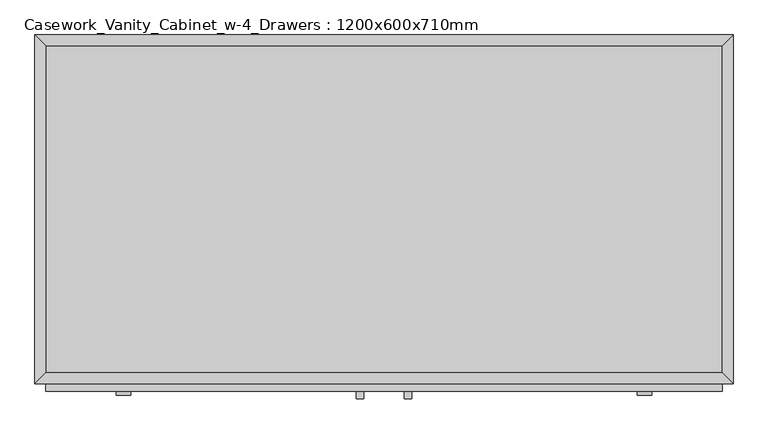
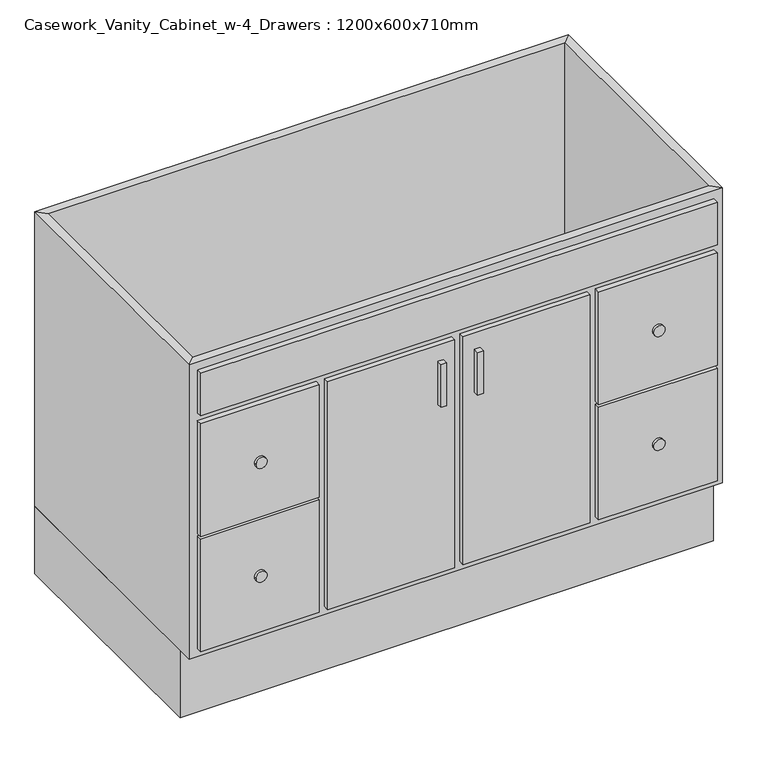
"""IFC4 building model written with IfcOpenShell, lengths in millimetres: furniture geometry, Casework_Vanity_Cabinet_w-4_Drawers : 1200x600x710mm."""

import ifcopenshell
import ifcopenshell.guid

model = None  # the IFC model being written
_history = None  # IfcOwnerHistory: only IFC2X3 demands one
_inside = {}  # id of a spatial element -> (the spatial element, [elements in it])
_under = {}  # id of a project, library or spatial element -> (it, [spatial elements below it])
_declared = {}  # id of a project -> (the project, [libraries it declares])
_typed = {}  # id of a type object -> (the type object, [elements of that type])
_made_of = {}  # id of a material, layer set ... -> (it, [elements and type objects made of it])


def new_model(schema):
    """Start an empty IFC model of exactly this schema.

    Asked for "IFC4X3", IfcOpenShell would pick the latest addendum, in which some entities
    have other attributes; the version numbers below select the first issue.
    IFC2X3 requires an IfcOwnerHistory on every rooted entity: one is made here for all.
    """
    global model, _history
    if schema == "IFC4X3":
        model = ifcopenshell.file(schema_version=(4, 3, 0, 0))
    else:
        model = ifcopenshell.file(schema=schema)
    _inside.clear()
    _under.clear()
    _declared.clear()
    _typed.clear()
    _made_of.clear()
    _history = None
    if model.schema == "IFC2X3":
        org = make("IfcOrganization", Name="unknown")
        user = make(
            "IfcPersonAndOrganization",
            ThePerson=make("IfcPerson", FamilyName="unknown"),
            TheOrganization=org,
        )
        app = make(
            "IfcApplication",
            ApplicationDeveloper=org,
            Version="unknown",
            ApplicationFullName="unknown",
            ApplicationIdentifier="unknown",
        )
        _history = make(
            "IfcOwnerHistory",
            OwningUser=user,
            OwningApplication=app,
            ChangeAction="ADDED",
            CreationDate=0,
        )
    return model


def make(cls, **values):
    """One entity of the class cls with the attributes given. An attribute that is None is left unset."""
    return model.create_entity(
        cls, **{name: value for name, value in values.items() if value is not None}
    )


def rooted(cls, **values):
    """An entity with a GlobalId (a new one), such as an element, a storey or a relation."""
    return make(cls, GlobalId=ifcopenshell.guid.new(), OwnerHistory=_history, **values)


def si_unit(unit_type, name, prefix=None):
    """IfcSIUnit, for example si_unit("LENGTHUNIT", "METRE", prefix="MILLI")."""
    return make("IfcSIUnit", UnitType=unit_type, Prefix=prefix, Name=name)


def assignment(units):
    """IfcUnitAssignment: the units of a project."""
    return None if units is None else make("IfcUnitAssignment", Units=units)


def point(xyz):
    """IfcCartesianPoint."""
    return None if xyz is None else make("IfcCartesianPoint", Coordinates=xyz)


def direction(xyz):
    """IfcDirection."""
    return None if xyz is None else make("IfcDirection", DirectionRatios=xyz)


def frame(location, z_axis=None, x_axis=None):
    """IfcAxis2Placement3D, a coordinate frame: its origin and axes. An axis left out is left unset."""
    return make(
        "IfcAxis2Placement3D",
        Location=point(location),
        Axis=direction(z_axis),
        RefDirection=direction(x_axis),
    )


def frame_2d(location, x_axis=None):
    """IfcAxis2Placement2D, a coordinate frame in the plane: its origin and x axis."""
    return make(
        "IfcAxis2Placement2D", Location=point(location), RefDirection=direction(x_axis)
    )


def origin():
    """The frame at (0, 0, 0) with its axes left unset."""
    return frame((0.0, 0.0, 0.0))


def origin_with_axes():
    """The frame at (0, 0, 0) with the z axis (0, 0, 1) and the x axis (1, 0, 0) written out."""
    return frame((0.0, 0.0, 0.0), z_axis=(0.0, 0.0, 1.0), x_axis=(1.0, 0.0, 0.0))


def place(relative_to, where):
    """IfcLocalPlacement: puts the frame where relative to a parent placement (None: the world)."""
    return make(
        "IfcLocalPlacement", PlacementRelTo=relative_to, RelativePlacement=where
    )


def context(
    kind, dimensions, precision=None, world=None, true_north=None, identifier=None
):
    """IfcGeometricRepresentationContext, for example the 3D "Model" context."""
    return make(
        "IfcGeometricRepresentationContext",
        ContextIdentifier=identifier,
        ContextType=kind,
        CoordinateSpaceDimension=dimensions,
        Precision=precision,
        WorldCoordinateSystem=world,
        TrueNorth=true_north,
    )


def project(units=None, contexts=None):
    """IfcProject with its units and contexts."""
    return rooted(
        "IfcProject",
        Name="project",
        RepresentationContexts=contexts,
        UnitsInContext=assignment(units),
    )


def spatial(cls, under=None, at=None, **own):
    """A site, building, storey or space (cls), placed at a placement, below another one or the project."""
    s = rooted(cls, ObjectPlacement=at, **own)
    if under is not None:
        _under.setdefault(under.id(), (under, []))[1].append(s)
    return s


def polyline(points):
    """IfcPolyline through the points."""
    return make("IfcPolyline", Points=[point(p) for p in points])


def circle_curve(where, radius):
    """IfcCircle in the frame where."""
    return make("IfcCircle", Position=where, Radius=radius)


def trimmed(basis, trim1, trim2, sense, master):
    """IfcTrimmedCurve: the piece of a basis curve between two trims."""
    return make(
        "IfcTrimmedCurve",
        BasisCurve=basis,
        Trim1=trim1,
        Trim2=trim2,
        SenseAgreement=sense,
        MasterRepresentation=master,
    )


def segment(curve, same_sense, transition):
    """IfcCompositeCurveSegment."""
    return make(
        "IfcCompositeCurveSegment",
        Transition=transition,
        SameSense=same_sense,
        ParentCurve=curve,
    )


def composite_curve(segments, self_intersect=None):
    """IfcCompositeCurve: segments joined end to end."""
    return make("IfcCompositeCurve", Segments=segments, SelfIntersect=self_intersect)


def outline(outer, holes=None, kind="AREA"):
    """IfcArbitraryClosedProfileDef: a profile drawn as a closed curve; with holes, ...WithVoids."""
    if holes is None:
        return make("IfcArbitraryClosedProfileDef", ProfileType=kind, OuterCurve=outer)
    return make(
        "IfcArbitraryProfileDefWithVoids",
        ProfileType=kind,
        OuterCurve=outer,
        InnerCurves=holes,
    )


def extrude(swept, where, along, depth):
    """IfcExtrudedAreaSolid: the profile swept, set in the frame where, extruded along a direction by depth."""
    return make(
        "IfcExtrudedAreaSolid",
        SweptArea=swept,
        Position=where,
        ExtrudedDirection=direction(along),
        Depth=depth,
    )


def faces_of(points, faces, orient=None, outer=None):
    """IfcFace entities. A face is a list of loops; a loop is a list of indices into points, from 0.

    orient and outer hold one flag for each loop. By default every Orientation is true, the
    first loop of a face is its IfcFaceOuterBound and the others are IfcFaceBound.
    """
    made = []
    for i, loops in enumerate(faces):
        bounds = []
        for j, loop in enumerate(loops):
            is_outer = j == 0 if outer is None else outer[i][j]
            bounds.append(
                make(
                    "IfcFaceOuterBound" if is_outer else "IfcFaceBound",
                    Bound=make("IfcPolyLoop", Polygon=[points[k] for k in loop]),
                    Orientation=True if orient is None else orient[i][j],
                )
            )
        made.append(make("IfcFace", Bounds=bounds))
    return made


def faceted_brep(points, faces, orient=None, outer=None, voids=None):
    """IfcFacetedBrep: a solid bounded by flat faces; with voids (closed shells), ...WithVoids."""
    shared = [point(p) for p in points]
    hull = make("IfcClosedShell", CfsFaces=faces_of(shared, faces, orient, outer))
    if voids is None:
        return make("IfcFacetedBrep", Outer=hull)
    return make(
        "IfcFacetedBrepWithVoids",
        Outer=hull,
        Voids=[
            make(cls, CfsFaces=faces_of(shared, fs, o, b)) for cls, fs, o, b in voids
        ],
    )


def shape(context_of_items, identifier, shape_type, items):
    """IfcShapeRepresentation: the items that make up one representation, for example the "Body"."""
    return make(
        "IfcShapeRepresentation",
        ContextOfItems=context_of_items,
        RepresentationIdentifier=identifier,
        RepresentationType=shape_type,
        Items=items,
    )


def source(mapping_origin, context_of_items, identifier, shape_type, items):
    """IfcRepresentationMap: a shape defined once, which mapped items show again and again."""
    return make(
        "IfcRepresentationMap",
        MappingOrigin=mapping_origin,
        MappedRepresentation=shape(context_of_items, identifier, shape_type, items),
    )


def transform(
    local_origin,
    x_axis=None,
    y_axis=None,
    z_axis=None,
    scale=None,
    scale2=None,
    scale3=None,
    uniform=True,
):
    """IfcCartesianTransformationOperator3D, or its non-uniform kind. x_axis, y_axis, z_axis: its Axis1, 2, 3."""
    if uniform:
        return make(
            "IfcCartesianTransformationOperator3D",
            Axis1=direction(x_axis),
            Axis2=direction(y_axis),
            LocalOrigin=point(local_origin),
            Scale=scale,
            Axis3=direction(z_axis),
        )
    return make(
        "IfcCartesianTransformationOperator3DnonUniform",
        Axis1=direction(x_axis),
        Axis2=direction(y_axis),
        LocalOrigin=point(local_origin),
        Scale=scale,
        Axis3=direction(z_axis),
        Scale2=scale2,
        Scale3=scale3,
    )


def mapped(mapping_source, mapping_target):
    """IfcMappedItem: shows the shape of a source again, moved by a transform."""
    return make(
        "IfcMappedItem", MappingSource=mapping_source, MappingTarget=mapping_target
    )


def made_of(thing, what):
    """Note that an element or type object is made of a material, layer set ...; save() writes the relation."""
    if what is not None:
        _made_of.setdefault(what.id(), (what, []))[1].append(thing)
    return thing


def element(
    cls,
    number,
    at=None,
    inside=None,
    cuts=None,
    type_object=None,
    material=None,
    context=None,
    identifier="Body",
    shape_type=None,
    held_by="IfcProductDefinitionShape",
    body=None,
    shapes=None,
    **own,
):
    """One element of the class cls, such as IfcWall. Its Tag is "e" and its number.

    at: its placement. inside: the storey or other place that contains it. cuts: it is an
    opening in that element (IfcRelVoidsElement). A single representation is given by context,
    identifier, shape_type and body (its items); several are given by shapes. held_by: the class
    of the entity that holds the representations. save() writes the other relations.
    """
    e = rooted(cls, Tag="e%d" % number, ObjectPlacement=at, **own)
    if body is not None:
        shapes = [shape(context, identifier, shape_type, body)]
    if shapes is not None:
        e.Representation = make(held_by, Representations=shapes)
    if inside is not None:
        _inside.setdefault(inside.id(), (inside, []))[1].append(e)
    if cuts is not None:
        rooted(
            "IfcRelVoidsElement", RelatingBuildingElement=cuts, RelatedOpeningElement=e
        )
    if type_object is not None:
        _typed.setdefault(type_object.id(), (type_object, []))[1].append(e)
    return made_of(e, material)


def aggregate(whole, parts):
    """IfcRelAggregates: a whole, such as a stair, and the parts it consists of."""
    return rooted("IfcRelAggregates", RelatingObject=whole, RelatedObjects=parts)


def save(model, path):
    """Write the relations noted so far, then the file.

    IfcRelAggregates (storeys below a building ...), IfcRelContainedInSpatialStructure (elements
    in a storey), IfcRelDefinesByType, IfcRelAssociatesMaterial and IfcRelDeclares: one each for
    every whole, place, type object, material and project.
    """
    for whole, parts in _under.values():
        aggregate(whole, parts)
    for where, things in _inside.values():
        rooted(
            "IfcRelContainedInSpatialStructure",
            RelatedElements=things,
            RelatingStructure=where,
        )
    for kind, things in _typed.values():
        rooted("IfcRelDefinesByType", RelatedObjects=things, RelatingType=kind)
    for what, things in _made_of.values():
        rooted("IfcRelAssociatesMaterial", RelatedObjects=things, RelatingMaterial=what)
    for by, libraries in _declared.values():
        rooted("IfcRelDeclares", RelatingContext=by, RelatedDefinitions=libraries)
    model.write(path)


def casework_vanity_cabinet_w_4_drawers_1200x600x710mm_0f1a9d96(model_context):
    return source(origin(), model_context, "Body", "SolidModel", [
        extrude(outline(polyline([(55.91996, -625.4), (43.21996, -625.4), (43.21996, -612.7), (55.91996, -612.7), (55.91996, -625.4)])), frame((0.0, 0.0, 580.6), z_axis=(0.0, 0.0, 1.0), x_axis=(1.0, 0.0, 0.0)), (0.0, 0.0, 1.0), 101.6),
        extrude(outline(polyline([(138.46996, -625.4), (125.76996, -625.4), (125.76996, -612.7), (138.46996, -612.7), (138.46996, -625.4)])), frame((0.0, 0.0, 580.6), z_axis=(0.0, 0.0, 1.0), x_axis=(1.0, 0.0, 0.0)), (0.0, 0.0, 1.0), 101.6),
        extrude(outline(polyline([(671.79496, -612.7), (-490.10504, -612.7), (-490.10504, -600.0), (671.79496, -600.0), (671.79496, -612.7)])), frame((0.0, 0.0, 739.35), z_axis=(0.0, 0.0, 1.0), x_axis=(1.0, 0.0, 0.0)), (0.0, 0.0, 1.0), 101.6),
        extrude(outline(polyline([(671.79496, -612.7), (405.13246, -612.7), (405.13246, -600.0), (671.79496, -600.0), (671.79496, -612.7)])), frame((0.0, 0.0, 452.85), z_axis=(0.0, 0.0, 1.0), x_axis=(1.0, 0.0, 0.0)), (0.0, 0.0, 1.0), 267.45),
        extrude(outline(polyline([(671.79496, -612.7), (405.13246, -612.7), (405.13246, -600.0), (671.79496, -600.0), (671.79496, -612.7)])), frame((0.0, 0.0, 179.05), z_axis=(0.0, 0.0, 1.0), x_axis=(1.0, 0.0, 0.0)), (0.0, 0.0, 1.0), 267.45),
        extrude(outline(polyline([(-223.44254, -612.7), (-490.10504, -612.7), (-490.10504, -600.0), (-223.44254, -600.0), (-223.44254, -612.7)])), frame((0.0, 0.0, 452.85), z_axis=(0.0, 0.0, 1.0), x_axis=(1.0, 0.0, 0.0)), (0.0, 0.0, 1.0), 267.45),
        extrude(outline(polyline([(-223.44254, -612.7), (-490.10504, -612.7), (-490.10504, -600.0), (-223.44254, -600.0), (-223.44254, -612.7)])), frame((0.0, 0.0, 179.05), z_axis=(0.0, 0.0, 1.0), x_axis=(1.0, 0.0, 0.0)), (0.0, 0.0, 1.0), 267.45),
        extrude(outline(polyline([(81.31996, -612.7), (-204.39254, -612.7), (-204.39254, -600.0), (81.31996, -600.0), (81.31996, -612.7)])), frame((0.0, 0.0, 179.05), z_axis=(0.0, 0.0, 1.0), x_axis=(1.0, 0.0, 0.0)), (0.0, 0.0, 1.0), 541.25),
        extrude(outline(polyline([(386.08246, -612.7), (100.36996, -612.7), (100.36996, -600.0), (386.08246, -600.0), (386.08246, -612.7)])), frame((0.0, 0.0, 179.05), z_axis=(0.0, 0.0, 1.0), x_axis=(1.0, 0.0, 0.0)), (0.0, 0.0, 1.0), 541.25),
        extrude(outline(composite_curve([segment(trimmed(circle_curve(frame_2d((584.9875, -356.77379)), 12.7), [point((584.9875, -369.47379))], [point((584.9875, -344.07379))], False, "CARTESIAN"), True, "CONTINUOUS"), segment(trimmed(circle_curve(frame_2d((584.9875, -356.77379)), 12.7), [point((584.9875, -344.07379))], [point((584.9875, -369.47379))], False, "CARTESIAN"), True, "CONTINUOUS")], self_intersect=False)), frame((0.0, -619.05, 0.0), z_axis=(0.0, 1.0, 0.0), x_axis=(0.0, 0.0, 1.0)), (0.0, 0.0, 1.0), 6.35),
        extrude(outline(composite_curve([segment(trimmed(circle_curve(frame_2d((314.3625, -356.77379)), 12.7), [point((314.3625, -369.47379))], [point((314.3625, -344.07379))], False, "CARTESIAN"), True, "CONTINUOUS"), segment(trimmed(circle_curve(frame_2d((314.3625, -356.77379)), 12.7), [point((314.3625, -344.07379))], [point((314.3625, -369.47379))], False, "CARTESIAN"), True, "CONTINUOUS")], self_intersect=False)), frame((0.0, -619.05, 0.0), z_axis=(0.0, 1.0, 0.0), x_axis=(0.0, 0.0, 1.0)), (0.0, 0.0, 1.0), 6.35),
        extrude(outline(composite_curve([segment(trimmed(circle_curve(frame_2d((314.3625, 538.46371)), 12.7), [point((314.3625, 525.76371))], [point((314.3625, 551.16371))], False, "CARTESIAN"), True, "CONTINUOUS"), segment(trimmed(circle_curve(frame_2d((314.3625, 538.46371)), 12.7), [point((314.3625, 551.16371))], [point((314.3625, 525.76371))], False, "CARTESIAN"), True, "CONTINUOUS")], self_intersect=False)), frame((0.0, -619.05, 0.0), z_axis=(0.0, 1.0, 0.0), x_axis=(0.0, 0.0, 1.0)), (0.0, 0.0, 1.0), 6.35),
        extrude(outline(composite_curve([segment(trimmed(circle_curve(frame_2d((584.9875, 538.46371)), 12.7), [point((584.9875, 525.76371))], [point((584.9875, 551.16371))], False, "CARTESIAN"), True, "CONTINUOUS"), segment(trimmed(circle_curve(frame_2d((584.9875, 538.46371)), 12.7), [point((584.9875, 551.16371))], [point((584.9875, 525.76371))], False, "CARTESIAN"), True, "CONTINUOUS")], self_intersect=False)), frame((0.0, -619.05, 0.0), z_axis=(0.0, 1.0, 0.0), x_axis=(0.0, 0.0, 1.0)), (0.0, 0.0, 1.0), 6.35),
        extrude(outline(polyline([(671.79496, -19.05), (671.79496, -580.95), (-490.10504, -580.95), (-490.10504, -19.05), (671.79496, -19.05)])), frame((0.0, 0.0, 160.0), z_axis=(0.0, 0.0, 1.0), x_axis=(1.0, 0.0, 0.0)), (0.0, 0.0, 1.0), 19.05),
        faceted_brep([(671.79496, -580.95, 860.0), (671.79496, -580.95, 160.0), (-490.10504, -580.95, 160.0), (-490.10504, -580.95, 860.0), (690.84496, -600.0, 860.0), (-509.15504, -600.0, 860.0), (690.84496, -600.0, 160.0), (-509.15504, -600.0, 160.0), (-490.10504, -19.05, 160.0), (-490.10504, -19.05, 860.0), (-509.15504, 0.0, 860.0), (-509.15504, 0.0, 160.0), (671.79496, -19.05, 160.0), (671.79496, -19.05, 860.0), (690.84496, 0.0, 860.0), (690.84496, 0.0, 160.0)], [[[0, 1, 2, 3]], [[4, 0, 3, 5]], [[6, 4, 5, 7]], [[1, 6, 7, 2]], [[3, 2, 8, 9]], [[5, 3, 9, 10]], [[7, 5, 10, 11]], [[2, 7, 11, 8]], [[9, 8, 12, 13]], [[10, 9, 13, 14]], [[11, 10, 14, 15]], [[8, 11, 15, 12]], [[13, 12, 1, 0]], [[14, 13, 0, 4]], [[15, 14, 4, 6]], [[12, 15, 6, 1]]]),
        extrude(outline(polyline([(690.84496, 0.0), (690.84496, -565.0), (-509.15504, -565.0), (-509.15504, 0.0), (690.84496, 0.0)])), origin_with_axes(), (0.0, 0.0, 1.0), 160.0),
    ])


if __name__ == "__main__":
    model = new_model("IFC4")
    model_context = context("Model", 3, world=origin())
    ifc_project = project(units=[si_unit("LENGTHUNIT", "METRE", prefix="MILLI")], contexts=[model_context])
    site = spatial("IfcSite", under=ifc_project)
    building = spatial("IfcBuilding", under=site)
    placement = place(None, origin())
    casework_vanity_cabinet_w_4_drawers_1200x600x710mm_shape = casework_vanity_cabinet_w_4_drawers_1200x600x710mm_0f1a9d96(model_context)
    element("IfcFurniture", 1, ObjectType="Casework_Vanity_Cabinet_w-4_Drawers : 1200x600x710mm", at=placement, inside=building, context=model_context, shape_type="MappedRepresentation", body=[
        mapped(casework_vanity_cabinet_w_4_drawers_1200x600x710mm_shape, transform((0.0, 0.0, 0.0), x_axis=(1.0, 0.0, 0.0), y_axis=(0.0, 1.0, 0.0), z_axis=(0.0, 0.0, 1.0))),
    ])
    save(model, "model.ifc")
